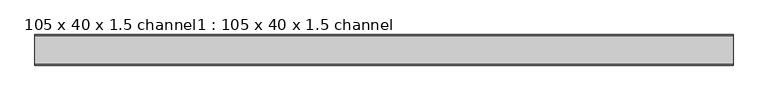
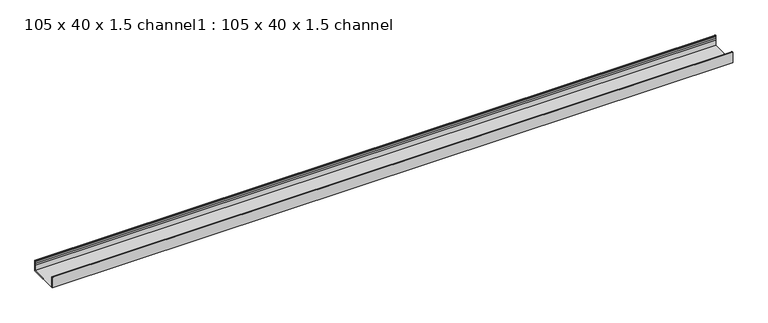
"""IFC4 building model written with IfcOpenShell, lengths in millimetres: proxy geometry, 105 x 40 x 1.5 channel1 : 105 x 40 x 1.5 channel."""

from ifc_helpers import new_model, si_unit, point, frame, frame_2d, origin, place, context, project, spatial, polyline, circle_curve, trimmed, segment, composite_curve, outline, extrude, source, transform, mapped, element, save


def proxy_105_x_40_x_1_5_channel1_105_x_40_x_1_5_channel_300b7c44(model_context):
    return source(origin(), model_context, "Body", "SweptSolid", [
        extrude(outline(composite_curve([segment(trimmed(circle_curve(frame_2d((834.0503008, 32.0)), 10.0), [point((843.6256088, 29.1166898))], [point((843.6256088, 34.8833102))], True, "CARTESIAN"), True, "CONTINUOUS"), segment(polyline([(843.6256088, 34.8833102), (843.0503008, 38.8)]), True, "CONTINUOUS"), segment(trimmed(circle_curve(frame_2d((844.2503008, 38.8)), 1.2), [point((843.0503008, 38.8))], [point((845.4503008, 38.8))], False, "CARTESIAN"), True, "CONTINUOUS"), segment(polyline([(845.4503008, 38.8), (845.4503008, 0.0), (740.1503008, 0.0), (740.1503008, 38.8)]), True, "CONTINUOUS"), segment(trimmed(circle_curve(frame_2d((741.3503008, 38.8)), 1.2), [point((740.1503008, 38.8))], [point((742.5503008, 38.8))], False, "CARTESIAN"), True, "CONTINUOUS"), segment(polyline([(742.5503008, 38.8), (741.9749929, 34.8833102)]), True, "CONTINUOUS"), segment(trimmed(circle_curve(frame_2d((751.5503008, 32.0)), 10.0), [point((741.9749929, 34.8833102))], [point((741.9749929, 29.1166898))], True, "CARTESIAN"), True, "CONTINUOUS"), segment(trimmed(circle_curve(frame_2d((732.5503008, 25.77376)), 10.0), [point((741.9749929, 29.1166898))], [point((741.5503008, 21.4148611))], False, "CARTESIAN"), True, "CONTINUOUS"), segment(polyline([(741.5503008, 21.4148611), (741.5503008, 1.4), (844.0503008, 1.4), (844.0503008, 21.4148611)]), True, "CONTINUOUS"), segment(trimmed(circle_curve(frame_2d((853.0503008, 25.77376)), 10.0), [point((844.0503008, 21.4148611))], [point((843.6256088, 29.1166898))], False, "CARTESIAN"), True, "CONTINUOUS")], self_intersect=False)), frame((-5455.3690716, 0.0, 0.0), z_axis=(1.0, 0.0, 0.0), x_axis=(0.0, 1.0, 0.0)), (0.0, 0.0, 1.0), 2400.0),
    ])


if __name__ == "__main__":
    model = new_model("IFC4")
    model_context = context("Model", 3, world=origin())
    ifc_project = project(units=[si_unit("LENGTHUNIT", "METRE", prefix="MILLI")], contexts=[model_context])
    site = spatial("IfcSite", under=ifc_project)
    building = spatial("IfcBuilding", under=site)
    placement = place(None, origin())
    proxy_105_x_40_x_1_5_channel1_105_x_40_x_1_5_channel_shape = proxy_105_x_40_x_1_5_channel1_105_x_40_x_1_5_channel_300b7c44(model_context)
    element("IfcBuildingElementProxy", 1, Name="105 x 40 x 1.5 channel1 : 105 x 40 x 1.5 channel", ObjectType="105 x 40 x 1.5 channel1 : 105 x 40 x 1.5 channel", at=placement, inside=building, context=model_context, shape_type="MappedRepresentation", body=[
        mapped(proxy_105_x_40_x_1_5_channel1_105_x_40_x_1_5_channel_shape, transform((0.0, 0.0, 0.0), x_axis=(1.0, 0.0, 0.0), y_axis=(0.0, 1.0, 0.0), z_axis=(0.0, 0.0, 1.0))),
    ])
    save(model, "model.ifc")
